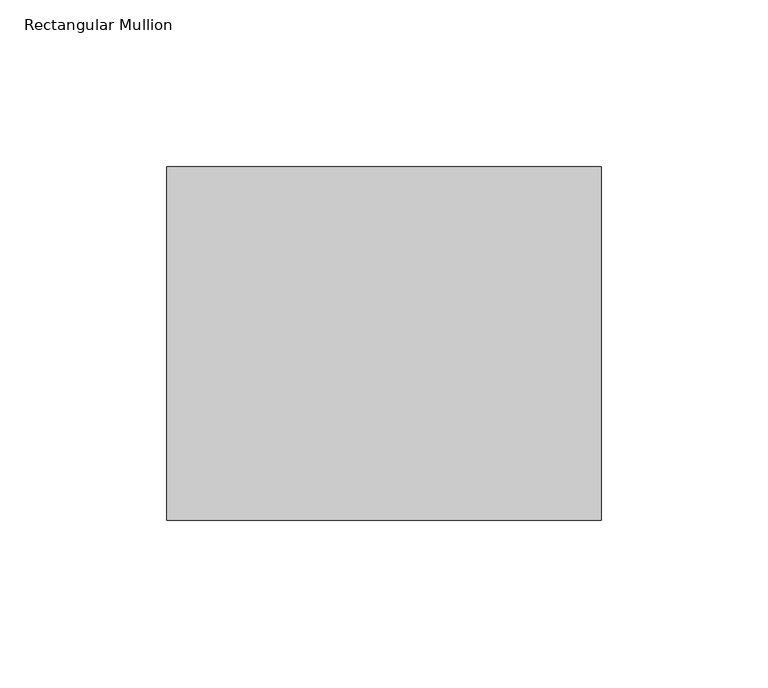
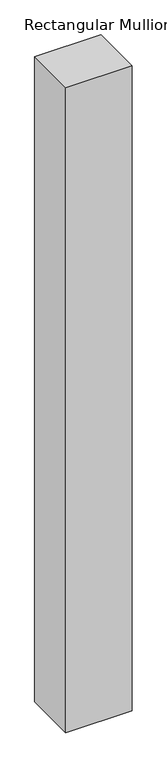
"""IFC4 building model written with IfcOpenShell, lengths in millimetres: member geometry, Rectangular Mullion."""

from ifc_helpers import new_model, si_unit, frame, origin, place, context, project, spatial, polyline, outline, extrude, source, transform, mapped, element, save


def rectangular_mullion_05e60d47(model_context):
    return source(origin(), model_context, "Body", "SweptSolid", [
        extrude(outline(polyline([(0.0, -52.8779994), (-130.0, -52.8779994), (-130.0, 52.8779994), (0.0, 52.8779994), (0.0, -52.8779994)])), frame((0.0, 0.0, -1340.0), z_axis=(0.0, 0.0, 1.0), x_axis=(1.0, 0.0, 0.0)), (0.0, 0.0, 1.0), 1340.0),
    ])


if __name__ == "__main__":
    model = new_model("IFC4")
    model_context = context("Model", 3, world=origin())
    ifc_project = project(units=[si_unit("LENGTHUNIT", "METRE", prefix="MILLI")], contexts=[model_context])
    site = spatial("IfcSite", under=ifc_project)
    building = spatial("IfcBuilding", under=site)
    placement = place(None, origin())
    rectangular_mullion_shape = rectangular_mullion_05e60d47(model_context)
    element("IfcMember", 1, ObjectType="Rectangular Mullion", at=placement, inside=building, context=model_context, shape_type="MappedRepresentation", body=[
        mapped(rectangular_mullion_shape, transform((0.0, 0.0, 0.0), x_axis=(1.0, 0.0, 0.0), y_axis=(0.0, 1.0, 0.0), z_axis=(0.0, 0.0, 1.0))),
    ])
    save(model, "model.ifc")
